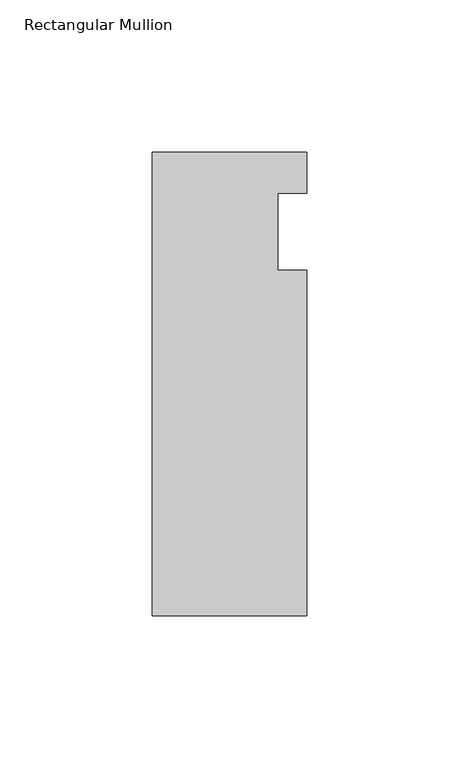
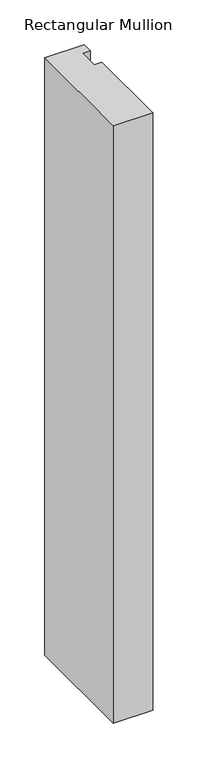
"""IFC4 building model written with IfcOpenShell, lengths in millimetres: member geometry, Rectangular Mullion."""

from ifc_helpers import new_model, si_unit, frame, origin, place, context, project, spatial, polyline, outline, extrude, source, transform, mapped, element, save


def rectangular_mullion_899313d0(model_context):
    return source(origin(), model_context, "Body", "SweptSolid", [
        extrude(outline(polyline([(-25.4, 26.19375), (25.4, 26.19375), (25.4, 12.7), (15.875, 12.7), (15.875, -12.7), (25.4, -12.7), (25.4, -126.20625), (-25.4, -126.20625), (-25.4, 26.19375)])), frame((0.0, 0.0, -812.8), z_axis=(0.0, 0.0, 1.0), x_axis=(1.0, 0.0, 0.0)), (0.0, 0.0, 1.0), 812.8),
    ])


if __name__ == "__main__":
    model = new_model("IFC4")
    model_context = context("Model", 3, world=origin())
    ifc_project = project(units=[si_unit("LENGTHUNIT", "METRE", prefix="MILLI")], contexts=[model_context])
    site = spatial("IfcSite", under=ifc_project)
    building = spatial("IfcBuilding", under=site)
    placement = place(None, origin())
    rectangular_mullion_shape = rectangular_mullion_899313d0(model_context)
    element("IfcMember", 1, ObjectType="Rectangular Mullion", at=placement, inside=building, context=model_context, shape_type="MappedRepresentation", body=[
        mapped(rectangular_mullion_shape, transform((0.0, 0.0, 0.0), x_axis=(1.0, 0.0, 0.0), y_axis=(0.0, 1.0, 0.0), z_axis=(0.0, 0.0, 1.0))),
    ])
    save(model, "model.ifc")
